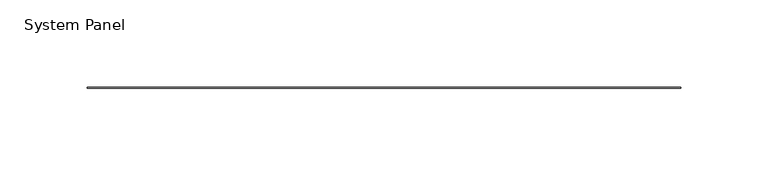
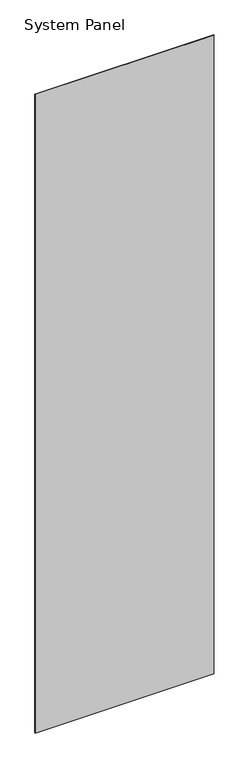
"""IFC4 building model written with IfcOpenShell, lengths in millimetres: plate geometry, System Panel."""

from ifc_helpers import new_model, si_unit, origin, origin_with_axes, place, context, project, spatial, polyline, outline, extrude, source, transform, mapped, element, save


def system_panel_15a01030(model_context):
    return source(origin(), model_context, "Body", "SweptSolid", [
        extrude(outline(polyline([(170.18, -0.2976563), (-170.18, -0.2976563), (-170.18, 0.2976563), (170.18, 0.2976563), (170.18, -0.2976563)])), origin_with_axes(), (0.0, 0.0, 1.0), 1285.875),
    ])


if __name__ == "__main__":
    model = new_model("IFC4")
    model_context = context("Model", 3, world=origin())
    ifc_project = project(units=[si_unit("LENGTHUNIT", "METRE", prefix="MILLI")], contexts=[model_context])
    site = spatial("IfcSite", under=ifc_project)
    building = spatial("IfcBuilding", under=site)
    placement = place(None, origin())
    system_panel_shape = system_panel_15a01030(model_context)
    element("IfcPlate", 1, ObjectType="System Panel", at=placement, inside=building, context=model_context, shape_type="MappedRepresentation", body=[
        mapped(system_panel_shape, transform((0.0, 0.0, 0.0), x_axis=(1.0, 0.0, 0.0), y_axis=(0.0, 1.0, 0.0), z_axis=(0.0, 0.0, 1.0))),
    ])
    save(model, "model.ifc")
